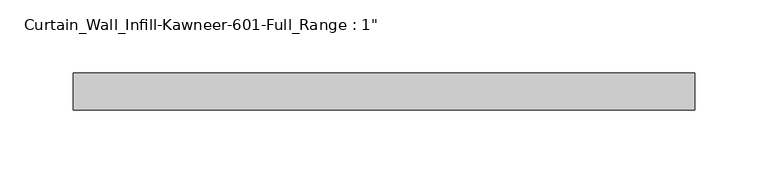
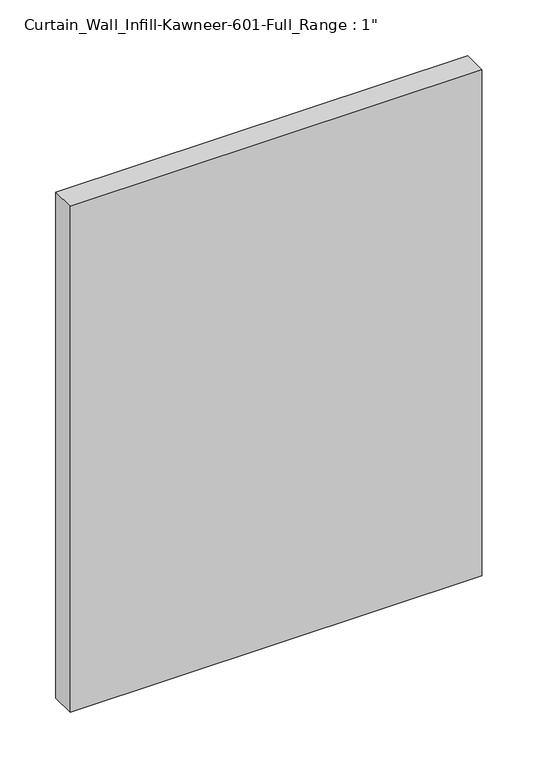
"""IFC4 building model written with IfcOpenShell, lengths in millimetres: plate geometry."""

from ifc_helpers import new_model, si_unit, origin, origin_with_axes, place, context, project, spatial, polyline, outline, extrude, source, transform, mapped, element, save


def plate_1580120c(model_context):
    return source(origin(), model_context, "Body", "SweptSolid", [
        extrude(outline(polyline([(-212.725, 12.7), (212.725, 12.7), (212.725, -12.7), (-212.725, -12.7), (-212.725, 12.7)])), origin_with_axes(), (0.0, 0.0, 1.0), 552.45),
    ])


if __name__ == "__main__":
    model = new_model("IFC4")
    model_context = context("Model", 3, world=origin())
    ifc_project = project(units=[si_unit("LENGTHUNIT", "METRE", prefix="MILLI")], contexts=[model_context])
    site = spatial("IfcSite", under=ifc_project)
    building = spatial("IfcBuilding", under=site)
    placement = place(None, origin())
    plate_shape = plate_1580120c(model_context)
    element("IfcPlate", 1, ObjectType="Curtain_Wall_Infill-Kawneer-601-Full_Range : 1\"", at=placement, inside=building, context=model_context, shape_type="MappedRepresentation", body=[
        mapped(plate_shape, transform((0.0, 0.0, 0.0), x_axis=(1.0, 0.0, 0.0), y_axis=(0.0, 1.0, 0.0), z_axis=(0.0, 0.0, 1.0))),
    ])
    save(model, "model.ifc")
